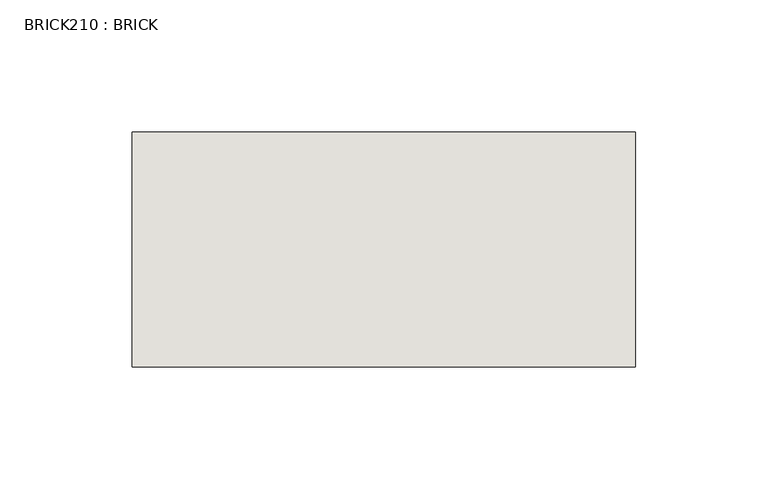
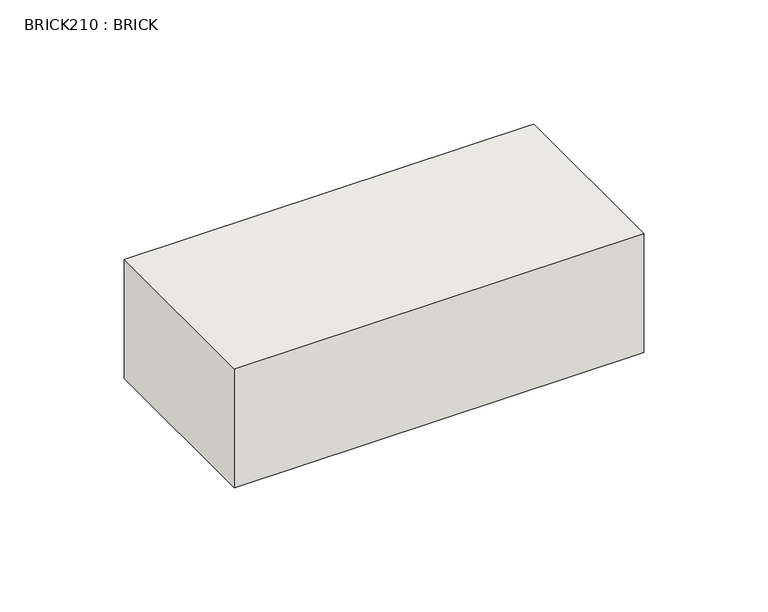
"""IFC4 building model written with IfcOpenShell, lengths in millimetres: wall geometry, BRICK210 : BRICK."""

from ifc_helpers import new_model, si_unit, frame, origin, place, context, project, spatial, polyline, outline, extrude, source, transform, mapped, element, save


def brick210_brick_4541032b(model_context):
    return source(origin(), model_context, "Body", "SweptSolid", [
        extrude(outline(polyline([(-1175.1316239, 3062.3923312), (-984.6316239, 3062.3923312), (-984.6316239, 2973.4923312), (-1175.1316239, 2973.4923312), (-1175.1316239, 3062.3923312)])), frame((0.0, 0.0, 74.3148438), z_axis=(0.0, 0.0, 1.0), x_axis=(1.0, 0.0, 0.0)), (0.0, 0.0, 1.0), 58.4398437),
    ])


if __name__ == "__main__":
    model = new_model("IFC4")
    model_context = context("Model", 3, world=origin())
    ifc_project = project(units=[si_unit("LENGTHUNIT", "METRE", prefix="MILLI")], contexts=[model_context])
    site = spatial("IfcSite", under=ifc_project)
    building = spatial("IfcBuilding", under=site)
    placement = place(None, origin())
    brick210_brick_shape = brick210_brick_4541032b(model_context)
    element("IfcWall", 1, ObjectType="BRICK210 : BRICK", at=placement, inside=building, context=model_context, shape_type="MappedRepresentation", body=[
        mapped(brick210_brick_shape, transform((0.0, 0.0, 0.0), x_axis=(1.0, 0.0, 0.0), y_axis=(0.0, 1.0, 0.0), z_axis=(0.0, 0.0, 1.0))),
    ])
    save(model, "model.ifc")
